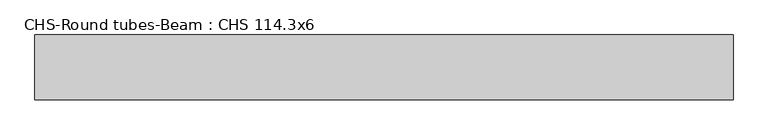
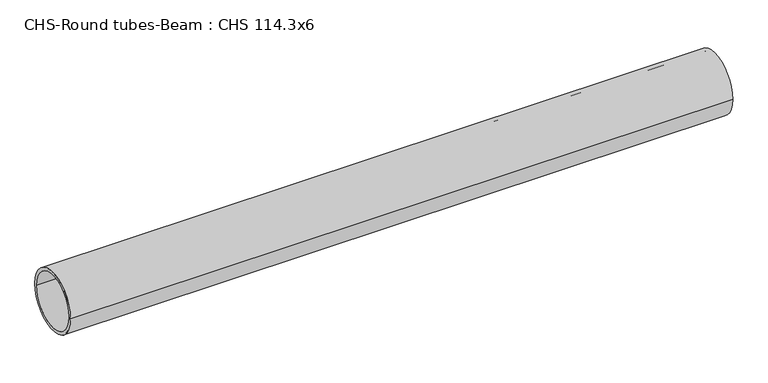
"""IFC4 building model written with IfcOpenShell, lengths in millimetres: beam geometry, CHS-Round tubes-Beam : CHS 114.3x6."""

from ifc_helpers import new_model, si_unit, point, frame, origin, origin_2d, place, context, project, spatial, circle_curve, trimmed, segment, composite_curve, outline, extrude, source, transform, mapped, element, save


def chs_round_tubes_beam_chs_114_3x6_ae57d95f(model_context):
    return source(origin(), model_context, "Body", "SweptSolid", [
        extrude(outline(composite_curve([segment(trimmed(circle_curve(origin_2d(), 57.15), [point((57.15, 0.0))], [point((-57.15, 0.0))], False, "CARTESIAN"), True, "CONTINUOUS"), segment(trimmed(circle_curve(origin_2d(), 57.15), [point((-57.15, 0.0))], [point((57.15, 0.0))], False, "CARTESIAN"), True, "CONTINUOUS")], self_intersect=False), holes=[composite_curve([segment(trimmed(circle_curve(origin_2d(), 51.15), [point((51.15, 0.0))], [point((-51.15, 0.0))], True, "CARTESIAN"), True, "CONTINUOUS"), segment(trimmed(circle_curve(origin_2d(), 51.15), [point((-51.15, 0.0))], [point((51.15, 0.0))], True, "CARTESIAN"), True, "CONTINUOUS")], self_intersect=False)]), frame((-605.062556, 0.0, 0.0), z_axis=(1.0, 0.0, 0.0), x_axis=(0.0, 1.0, 0.0)), (0.0, 0.0, 1.0), 1230.0462861),
    ])


if __name__ == "__main__":
    model = new_model("IFC4")
    model_context = context("Model", 3, world=origin())
    ifc_project = project(units=[si_unit("LENGTHUNIT", "METRE", prefix="MILLI")], contexts=[model_context])
    site = spatial("IfcSite", under=ifc_project)
    building = spatial("IfcBuilding", under=site)
    placement = place(None, origin())
    chs_round_tubes_beam_chs_114_3x6_shape = chs_round_tubes_beam_chs_114_3x6_ae57d95f(model_context)
    element("IfcBeam", 1, ObjectType="CHS-Round tubes-Beam : CHS 114.3x6", at=placement, inside=building, context=model_context, shape_type="MappedRepresentation", body=[
        mapped(chs_round_tubes_beam_chs_114_3x6_shape, transform((0.0, 0.0, 0.0), x_axis=(1.0, 0.0, 0.0), y_axis=(0.0, 1.0, 0.0), z_axis=(0.0, 0.0, 1.0))),
    ])
    save(model, "model.ifc")
